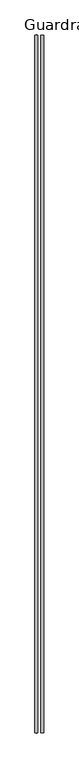
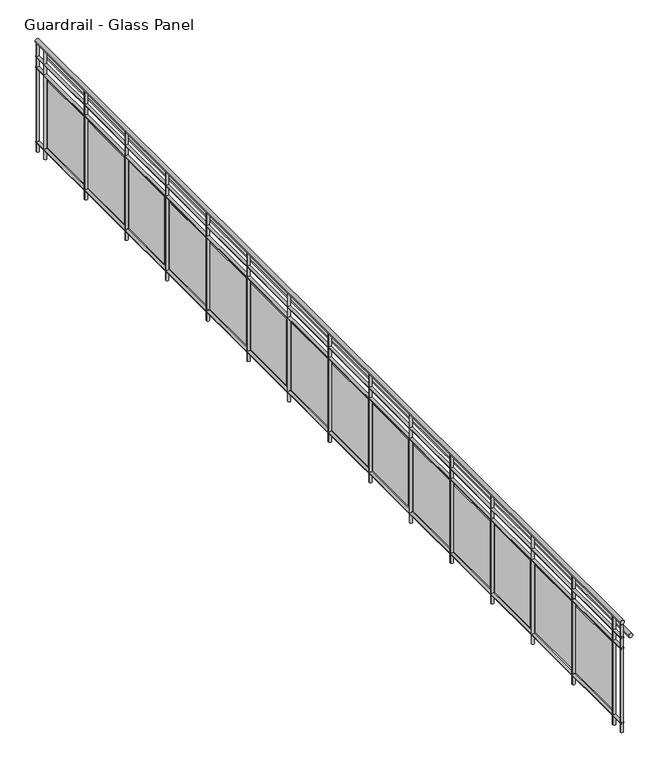
"""IFC4 building model written with IfcOpenShell, lengths in millimetres: railing geometry, Guardrail - Glass Panel."""

from ifc_helpers import new_model, si_unit, point, frame, frame_2d, origin, origin_with_axes, place, context, project, spatial, polyline, circle_curve, trimmed, segment, composite_curve, outline, extrude, source, transform, mapped, element, save


def guardrail_glass_panel_b657cd5e(model_context):
    return source(origin(), model_context, "Body", "SweptSolid", [
        extrude(outline(composite_curve([segment(trimmed(circle_curve(frame_2d((1047.75, -13022.8478678)), 19.05), [point((1047.75, -13003.7978678))], [point((1047.75, -13041.8978678))], False, "CARTESIAN"), True, "CONTINUOUS"), segment(trimmed(circle_curve(frame_2d((1047.75, -13022.8478678)), 19.05), [point((1047.75, -13041.8978678))], [point((1047.75, -13003.7978678))], False, "CARTESIAN"), True, "CONTINUOUS")], self_intersect=False)), frame((0.0, -14489.4143828, 0.0), z_axis=(0.0, 1.0, 0.0), x_axis=(0.0, 0.0, 1.0)), (0.0, 0.0, 1.0), 9144.0),
        extrude(outline(composite_curve([segment(trimmed(circle_curve(frame_2d((895.35, -12946.6478678)), 19.05), [point((895.35, -12927.5978678))], [point((895.35, -12965.6978678))], False, "CARTESIAN"), True, "CONTINUOUS"), segment(trimmed(circle_curve(frame_2d((895.35, -12946.6478678)), 19.05), [point((895.35, -12965.6978678))], [point((895.35, -12927.5978678))], False, "CARTESIAN"), True, "CONTINUOUS")], self_intersect=False)), frame((0.0, -14489.4143828, 0.0), z_axis=(0.0, 1.0, 0.0), x_axis=(0.0, 0.0, 1.0)), (0.0, 0.0, 1.0), 9144.0),
        extrude(outline(composite_curve([segment(trimmed(circle_curve(frame_2d((901.7, -13022.8478678)), 12.7), [point((901.7, -13010.1478678))], [point((901.7, -13035.5478678))], False, "CARTESIAN"), True, "CONTINUOUS"), segment(trimmed(circle_curve(frame_2d((901.7, -13022.8478678)), 12.7), [point((901.7, -13035.5478678))], [point((901.7, -13010.1478678))], False, "CARTESIAN"), True, "CONTINUOUS")], self_intersect=False)), frame((0.0, -14489.4143828, 0.0), z_axis=(0.0, 1.0, 0.0), x_axis=(0.0, 0.0, 1.0)), (0.0, 0.0, 1.0), 9144.0),
        extrude(outline(composite_curve([segment(trimmed(circle_curve(frame_2d((800.1, -13022.8478678)), 12.7), [point((800.1, -13010.1478678))], [point((800.1, -13035.5478678))], False, "CARTESIAN"), True, "CONTINUOUS"), segment(trimmed(circle_curve(frame_2d((800.1, -13022.8478678)), 12.7), [point((800.1, -13035.5478678))], [point((800.1, -13010.1478678))], False, "CARTESIAN"), True, "CONTINUOUS")], self_intersect=False)), frame((0.0, -14489.4143828, 0.0), z_axis=(0.0, 1.0, 0.0), x_axis=(0.0, 0.0, 1.0)), (0.0, 0.0, 1.0), 9144.0),
        extrude(outline(composite_curve([segment(trimmed(circle_curve(frame_2d((88.9, -13022.8478678)), 12.7), [point((88.9, -13010.1478678))], [point((88.9, -13035.5478678))], False, "CARTESIAN"), True, "CONTINUOUS"), segment(trimmed(circle_curve(frame_2d((88.9, -13022.8478678)), 12.7), [point((88.9, -13035.5478678))], [point((88.9, -13010.1478678))], False, "CARTESIAN"), True, "CONTINUOUS")], self_intersect=False)), frame((0.0, -14489.4143828, 0.0), z_axis=(0.0, 1.0, 0.0), x_axis=(0.0, 0.0, 1.0)), (0.0, 0.0, 1.0), 9144.0),
        extrude(outline(composite_curve([segment(trimmed(circle_curve(frame_2d((-13022.8478678, -14362.4143828)), 12.7), [point((-13010.1478678, -14362.4143828))], [point((-13035.5478678, -14362.4143828))], False, "CARTESIAN"), True, "CONTINUOUS"), segment(trimmed(circle_curve(frame_2d((-13022.8478678, -14362.4143828)), 12.7), [point((-13035.5478678, -14362.4143828))], [point((-13010.1478678, -14362.4143828))], False, "CARTESIAN"), True, "CONTINUOUS")], self_intersect=False)), origin_with_axes(), (0.0, 0.0, 1.0), 1028.7),
        extrude(outline(polyline([(-13016.4978678, -13765.5143828), (-13016.4978678, -14324.3143828), (-13022.8478678, -14324.3143828), (-13022.8478678, -13765.5143828), (-13016.4978678, -13765.5143828)])), frame((0.0, 0.0, 127.0), z_axis=(0.0, 0.0, 1.0), x_axis=(1.0, 0.0, 0.0)), (0.0, 0.0, 1.0), 635.0),
        extrude(outline(composite_curve([segment(trimmed(circle_curve(frame_2d((-13022.8478678, -13727.4143828)), 12.7), [point((-13010.1478678, -13727.4143828))], [point((-13035.5478678, -13727.4143828))], False, "CARTESIAN"), True, "CONTINUOUS"), segment(trimmed(circle_curve(frame_2d((-13022.8478678, -13727.4143828)), 12.7), [point((-13035.5478678, -13727.4143828))], [point((-13010.1478678, -13727.4143828))], False, "CARTESIAN"), True, "CONTINUOUS")], self_intersect=False)), origin_with_axes(), (0.0, 0.0, 1.0), 1028.7),
        extrude(outline(polyline([(-13016.4978678, -13130.5143828), (-13016.4978678, -13689.3143828), (-13022.8478678, -13689.3143828), (-13022.8478678, -13130.5143828), (-13016.4978678, -13130.5143828)])), frame((0.0, 0.0, 127.0), z_axis=(0.0, 0.0, 1.0), x_axis=(1.0, 0.0, 0.0)), (0.0, 0.0, 1.0), 635.0),
        extrude(outline(composite_curve([segment(trimmed(circle_curve(frame_2d((-13022.8478678, -13092.4143828)), 12.7), [point((-13010.1478678, -13092.4143828))], [point((-13035.5478678, -13092.4143828))], False, "CARTESIAN"), True, "CONTINUOUS"), segment(trimmed(circle_curve(frame_2d((-13022.8478678, -13092.4143828)), 12.7), [point((-13035.5478678, -13092.4143828))], [point((-13010.1478678, -13092.4143828))], False, "CARTESIAN"), True, "CONTINUOUS")], self_intersect=False)), origin_with_axes(), (0.0, 0.0, 1.0), 1028.7),
        extrude(outline(polyline([(-13016.4978678, -12495.5143828), (-13016.4978678, -13054.3143828), (-13022.8478678, -13054.3143828), (-13022.8478678, -12495.5143828), (-13016.4978678, -12495.5143828)])), frame((0.0, 0.0, 127.0), z_axis=(0.0, 0.0, 1.0), x_axis=(1.0, 0.0, 0.0)), (0.0, 0.0, 1.0), 635.0),
        extrude(outline(composite_curve([segment(trimmed(circle_curve(frame_2d((-13022.8478678, -12457.4143828)), 12.7), [point((-13010.1478678, -12457.4143828))], [point((-13035.5478678, -12457.4143828))], False, "CARTESIAN"), True, "CONTINUOUS"), segment(trimmed(circle_curve(frame_2d((-13022.8478678, -12457.4143828)), 12.7), [point((-13035.5478678, -12457.4143828))], [point((-13010.1478678, -12457.4143828))], False, "CARTESIAN"), True, "CONTINUOUS")], self_intersect=False)), origin_with_axes(), (0.0, 0.0, 1.0), 1028.7),
        extrude(outline(polyline([(-13016.4978678, -11860.5143828), (-13016.4978678, -12419.3143828), (-13022.8478678, -12419.3143828), (-13022.8478678, -11860.5143828), (-13016.4978678, -11860.5143828)])), frame((0.0, 0.0, 127.0), z_axis=(0.0, 0.0, 1.0), x_axis=(1.0, 0.0, 0.0)), (0.0, 0.0, 1.0), 635.0),
        extrude(outline(composite_curve([segment(trimmed(circle_curve(frame_2d((-13022.8478678, -11822.4143828)), 12.7), [point((-13010.1478678, -11822.4143828))], [point((-13035.5478678, -11822.4143828))], False, "CARTESIAN"), True, "CONTINUOUS"), segment(trimmed(circle_curve(frame_2d((-13022.8478678, -11822.4143828)), 12.7), [point((-13035.5478678, -11822.4143828))], [point((-13010.1478678, -11822.4143828))], False, "CARTESIAN"), True, "CONTINUOUS")], self_intersect=False)), origin_with_axes(), (0.0, 0.0, 1.0), 1028.7),
        extrude(outline(polyline([(-13016.4978678, -11225.5143828), (-13016.4978678, -11784.3143828), (-13022.8478678, -11784.3143828), (-13022.8478678, -11225.5143828), (-13016.4978678, -11225.5143828)])), frame((0.0, 0.0, 127.0), z_axis=(0.0, 0.0, 1.0), x_axis=(1.0, 0.0, 0.0)), (0.0, 0.0, 1.0), 635.0),
        extrude(outline(composite_curve([segment(trimmed(circle_curve(frame_2d((-13022.8478678, -11187.4143828)), 12.7), [point((-13010.1478678, -11187.4143828))], [point((-13035.5478678, -11187.4143828))], False, "CARTESIAN"), True, "CONTINUOUS"), segment(trimmed(circle_curve(frame_2d((-13022.8478678, -11187.4143828)), 12.7), [point((-13035.5478678, -11187.4143828))], [point((-13010.1478678, -11187.4143828))], False, "CARTESIAN"), True, "CONTINUOUS")], self_intersect=False)), origin_with_axes(), (0.0, 0.0, 1.0), 1028.7),
        extrude(outline(polyline([(-13016.4978678, -10590.5143828), (-13016.4978678, -11149.3143828), (-13022.8478678, -11149.3143828), (-13022.8478678, -10590.5143828), (-13016.4978678, -10590.5143828)])), frame((0.0, 0.0, 127.0), z_axis=(0.0, 0.0, 1.0), x_axis=(1.0, 0.0, 0.0)), (0.0, 0.0, 1.0), 635.0),
        extrude(outline(composite_curve([segment(trimmed(circle_curve(frame_2d((-13022.8478678, -10552.4143828)), 12.7), [point((-13010.1478678, -10552.4143828))], [point((-13035.5478678, -10552.4143828))], False, "CARTESIAN"), True, "CONTINUOUS"), segment(trimmed(circle_curve(frame_2d((-13022.8478678, -10552.4143828)), 12.7), [point((-13035.5478678, -10552.4143828))], [point((-13010.1478678, -10552.4143828))], False, "CARTESIAN"), True, "CONTINUOUS")], self_intersect=False)), origin_with_axes(), (0.0, 0.0, 1.0), 1028.7),
        extrude(outline(polyline([(-13016.4978678, -9955.5143828), (-13016.4978678, -10514.3143828), (-13022.8478678, -10514.3143828), (-13022.8478678, -9955.5143828), (-13016.4978678, -9955.5143828)])), frame((0.0, 0.0, 127.0), z_axis=(0.0, 0.0, 1.0), x_axis=(1.0, 0.0, 0.0)), (0.0, 0.0, 1.0), 635.0),
        extrude(outline(composite_curve([segment(trimmed(circle_curve(frame_2d((-13022.8478678, -9917.4143828)), 12.7), [point((-13010.1478678, -9917.4143828))], [point((-13035.5478678, -9917.4143828))], False, "CARTESIAN"), True, "CONTINUOUS"), segment(trimmed(circle_curve(frame_2d((-13022.8478678, -9917.4143828)), 12.7), [point((-13035.5478678, -9917.4143828))], [point((-13010.1478678, -9917.4143828))], False, "CARTESIAN"), True, "CONTINUOUS")], self_intersect=False)), origin_with_axes(), (0.0, 0.0, 1.0), 1028.7),
        extrude(outline(polyline([(-13016.4978678, -9320.5143828), (-13016.4978678, -9879.3143828), (-13022.8478678, -9879.3143828), (-13022.8478678, -9320.5143828), (-13016.4978678, -9320.5143828)])), frame((0.0, 0.0, 127.0), z_axis=(0.0, 0.0, 1.0), x_axis=(1.0, 0.0, 0.0)), (0.0, 0.0, 1.0), 635.0),
        extrude(outline(composite_curve([segment(trimmed(circle_curve(frame_2d((-13022.8478678, -9282.4143828)), 12.7), [point((-13010.1478678, -9282.4143828))], [point((-13035.5478678, -9282.4143828))], False, "CARTESIAN"), True, "CONTINUOUS"), segment(trimmed(circle_curve(frame_2d((-13022.8478678, -9282.4143828)), 12.7), [point((-13035.5478678, -9282.4143828))], [point((-13010.1478678, -9282.4143828))], False, "CARTESIAN"), True, "CONTINUOUS")], self_intersect=False)), origin_with_axes(), (0.0, 0.0, 1.0), 1028.7),
        extrude(outline(polyline([(-13016.4978678, -8685.5143828), (-13016.4978678, -9244.3143828), (-13022.8478678, -9244.3143828), (-13022.8478678, -8685.5143828), (-13016.4978678, -8685.5143828)])), frame((0.0, 0.0, 127.0), z_axis=(0.0, 0.0, 1.0), x_axis=(1.0, 0.0, 0.0)), (0.0, 0.0, 1.0), 635.0),
        extrude(outline(composite_curve([segment(trimmed(circle_curve(frame_2d((-13022.8478678, -8647.4143828)), 12.7), [point((-13010.1478678, -8647.4143828))], [point((-13035.5478678, -8647.4143828))], False, "CARTESIAN"), True, "CONTINUOUS"), segment(trimmed(circle_curve(frame_2d((-13022.8478678, -8647.4143828)), 12.7), [point((-13035.5478678, -8647.4143828))], [point((-13010.1478678, -8647.4143828))], False, "CARTESIAN"), True, "CONTINUOUS")], self_intersect=False)), origin_with_axes(), (0.0, 0.0, 1.0), 1028.7),
        extrude(outline(polyline([(-13016.4978678, -8050.5143828), (-13016.4978678, -8609.3143828), (-13022.8478678, -8609.3143828), (-13022.8478678, -8050.5143828), (-13016.4978678, -8050.5143828)])), frame((0.0, 0.0, 127.0), z_axis=(0.0, 0.0, 1.0), x_axis=(1.0, 0.0, 0.0)), (0.0, 0.0, 1.0), 635.0),
        extrude(outline(composite_curve([segment(trimmed(circle_curve(frame_2d((-13022.8478678, -8012.4143828)), 12.7), [point((-13010.1478678, -8012.4143828))], [point((-13035.5478678, -8012.4143828))], False, "CARTESIAN"), True, "CONTINUOUS"), segment(trimmed(circle_curve(frame_2d((-13022.8478678, -8012.4143828)), 12.7), [point((-13035.5478678, -8012.4143828))], [point((-13010.1478678, -8012.4143828))], False, "CARTESIAN"), True, "CONTINUOUS")], self_intersect=False)), origin_with_axes(), (0.0, 0.0, 1.0), 1028.7),
        extrude(outline(polyline([(-13016.4978678, -7415.5143828), (-13016.4978678, -7974.3143828), (-13022.8478678, -7974.3143828), (-13022.8478678, -7415.5143828), (-13016.4978678, -7415.5143828)])), frame((0.0, 0.0, 127.0), z_axis=(0.0, 0.0, 1.0), x_axis=(1.0, 0.0, 0.0)), (0.0, 0.0, 1.0), 635.0),
        extrude(outline(composite_curve([segment(trimmed(circle_curve(frame_2d((-13022.8478678, -7377.4143828)), 12.7), [point((-13010.1478678, -7377.4143828))], [point((-13035.5478678, -7377.4143828))], False, "CARTESIAN"), True, "CONTINUOUS"), segment(trimmed(circle_curve(frame_2d((-13022.8478678, -7377.4143828)), 12.7), [point((-13035.5478678, -7377.4143828))], [point((-13010.1478678, -7377.4143828))], False, "CARTESIAN"), True, "CONTINUOUS")], self_intersect=False)), origin_with_axes(), (0.0, 0.0, 1.0), 1028.7),
        extrude(outline(polyline([(-13016.4978678, -6780.5143828), (-13016.4978678, -7339.3143828), (-13022.8478678, -7339.3143828), (-13022.8478678, -6780.5143828), (-13016.4978678, -6780.5143828)])), frame((0.0, 0.0, 127.0), z_axis=(0.0, 0.0, 1.0), x_axis=(1.0, 0.0, 0.0)), (0.0, 0.0, 1.0), 635.0),
        extrude(outline(composite_curve([segment(trimmed(circle_curve(frame_2d((-13022.8478678, -6742.4143828)), 12.7), [point((-13010.1478678, -6742.4143828))], [point((-13035.5478678, -6742.4143828))], False, "CARTESIAN"), True, "CONTINUOUS"), segment(trimmed(circle_curve(frame_2d((-13022.8478678, -6742.4143828)), 12.7), [point((-13035.5478678, -6742.4143828))], [point((-13010.1478678, -6742.4143828))], False, "CARTESIAN"), True, "CONTINUOUS")], self_intersect=False)), origin_with_axes(), (0.0, 0.0, 1.0), 1028.7),
        extrude(outline(polyline([(-13016.4978678, -6145.5143828), (-13016.4978678, -6704.3143828), (-13022.8478678, -6704.3143828), (-13022.8478678, -6145.5143828), (-13016.4978678, -6145.5143828)])), frame((0.0, 0.0, 127.0), z_axis=(0.0, 0.0, 1.0), x_axis=(1.0, 0.0, 0.0)), (0.0, 0.0, 1.0), 635.0),
        extrude(outline(composite_curve([segment(trimmed(circle_curve(frame_2d((-13022.8478678, -6107.4143828)), 12.7), [point((-13010.1478678, -6107.4143828))], [point((-13035.5478678, -6107.4143828))], False, "CARTESIAN"), True, "CONTINUOUS"), segment(trimmed(circle_curve(frame_2d((-13022.8478678, -6107.4143828)), 12.7), [point((-13035.5478678, -6107.4143828))], [point((-13010.1478678, -6107.4143828))], False, "CARTESIAN"), True, "CONTINUOUS")], self_intersect=False)), origin_with_axes(), (0.0, 0.0, 1.0), 1028.7),
        extrude(outline(polyline([(-13016.4978678, -5510.5143828), (-13016.4978678, -6069.3143828), (-13022.8478678, -6069.3143828), (-13022.8478678, -5510.5143828), (-13016.4978678, -5510.5143828)])), frame((0.0, 0.0, 127.0), z_axis=(0.0, 0.0, 1.0), x_axis=(1.0, 0.0, 0.0)), (0.0, 0.0, 1.0), 635.0),
        extrude(outline(composite_curve([segment(trimmed(circle_curve(frame_2d((-13022.8478678, -5472.4143828)), 12.7), [point((-13010.1478678, -5472.4143828))], [point((-13035.5478678, -5472.4143828))], False, "CARTESIAN"), True, "CONTINUOUS"), segment(trimmed(circle_curve(frame_2d((-13022.8478678, -5472.4143828)), 12.7), [point((-13035.5478678, -5472.4143828))], [point((-13010.1478678, -5472.4143828))], False, "CARTESIAN"), True, "CONTINUOUS")], self_intersect=False)), origin_with_axes(), (0.0, 0.0, 1.0), 1028.7),
        extrude(outline(composite_curve([segment(trimmed(circle_curve(frame_2d((-13022.8478678, -14479.8893828)), 12.7), [point((-13010.1478678, -14479.8893828))], [point((-13035.5478678, -14479.8893828))], False, "CARTESIAN"), True, "CONTINUOUS"), segment(trimmed(circle_curve(frame_2d((-13022.8478678, -14479.8893828)), 12.7), [point((-13035.5478678, -14479.8893828))], [point((-13010.1478678, -14479.8893828))], False, "CARTESIAN"), True, "CONTINUOUS")], self_intersect=False)), origin_with_axes(), (0.0, 0.0, 1.0), 1028.7),
        extrude(outline(composite_curve([segment(trimmed(circle_curve(frame_2d((-13022.8478678, -5354.9393828)), 12.7), [point((-13010.1478678, -5354.9393828))], [point((-13035.5478678, -5354.9393828))], False, "CARTESIAN"), True, "CONTINUOUS"), segment(trimmed(circle_curve(frame_2d((-13022.8478678, -5354.9393828)), 12.7), [point((-13035.5478678, -5354.9393828))], [point((-13010.1478678, -5354.9393828))], False, "CARTESIAN"), True, "CONTINUOUS")], self_intersect=False)), origin_with_axes(), (0.0, 0.0, 1.0), 1028.7),
    ])


if __name__ == "__main__":
    model = new_model("IFC4")
    model_context = context("Model", 3, world=origin())
    ifc_project = project(units=[si_unit("LENGTHUNIT", "METRE", prefix="MILLI")], contexts=[model_context])
    site = spatial("IfcSite", under=ifc_project)
    building = spatial("IfcBuilding", under=site)
    placement = place(None, origin())
    guardrail_glass_panel_shape = guardrail_glass_panel_b657cd5e(model_context)
    element("IfcRailing", 1, ObjectType="Guardrail - Glass Panel", at=placement, inside=building, context=model_context, shape_type="MappedRepresentation", body=[
        mapped(guardrail_glass_panel_shape, transform((0.0, 0.0, 0.0), x_axis=(1.0, 0.0, 0.0), y_axis=(0.0, 1.0, 0.0), z_axis=(0.0, 0.0, 1.0))),
    ])
    save(model, "model.ifc")
